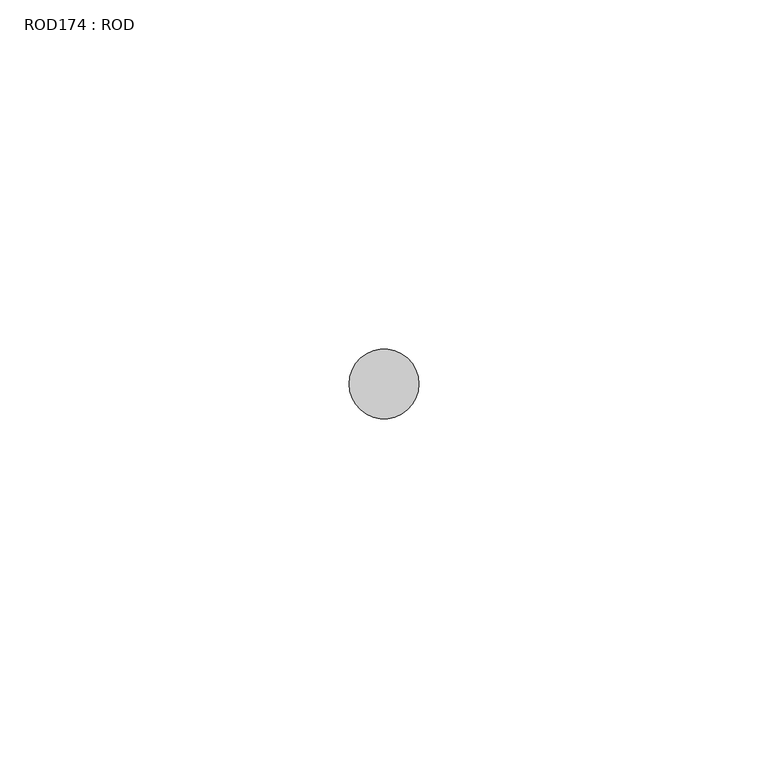
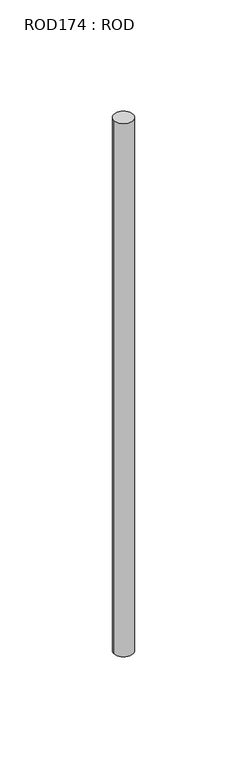
"""IFC4 building model written with IfcOpenShell, lengths in millimetres: proxy geometry, ROD174 : ROD."""

from ifc_helpers import new_model, si_unit, point, frame, frame_2d, origin, place, context, project, spatial, circle_curve, trimmed, segment, composite_curve, outline, extrude, source, transform, mapped, element, save


def rod174_rod_a1766475(model_context):
    return source(origin(), model_context, "Body", "SweptSolid", [
        extrude(outline(composite_curve([segment(trimmed(circle_curve(frame_2d((8999.7673324, -21766.6028424)), 5.0), [point((8994.7673324, -21766.6028424))], [point((9004.7673324, -21766.6028424))], False, "CARTESIAN"), True, "CONTINUOUS"), segment(trimmed(circle_curve(frame_2d((8999.7673324, -21766.6028424)), 5.0), [point((9004.7673324, -21766.6028424))], [point((8994.7673324, -21766.6028424))], False, "CARTESIAN"), True, "CONTINUOUS")], self_intersect=False)), frame((0.0, 0.0, 166.3391155), z_axis=(0.0, 0.0, 1.0), x_axis=(1.0, 0.0, 0.0)), (0.0, 0.0, 1.0), 298.9028972),
    ])


if __name__ == "__main__":
    model = new_model("IFC4")
    model_context = context("Model", 3, world=origin())
    ifc_project = project(units=[si_unit("LENGTHUNIT", "METRE", prefix="MILLI")], contexts=[model_context])
    site = spatial("IfcSite", under=ifc_project)
    building = spatial("IfcBuilding", under=site)
    placement = place(None, origin())
    rod174_rod_shape = rod174_rod_a1766475(model_context)
    element("IfcBuildingElementProxy", 1, Name="ROD174 : ROD", ObjectType="ROD174 : ROD", at=placement, inside=building, context=model_context, shape_type="MappedRepresentation", body=[
        mapped(rod174_rod_shape, transform((0.0, 0.0, 0.0), x_axis=(1.0, 0.0, 0.0), y_axis=(0.0, 1.0, 0.0), z_axis=(0.0, 0.0, 1.0))),
    ])
    save(model, "model.ifc")
